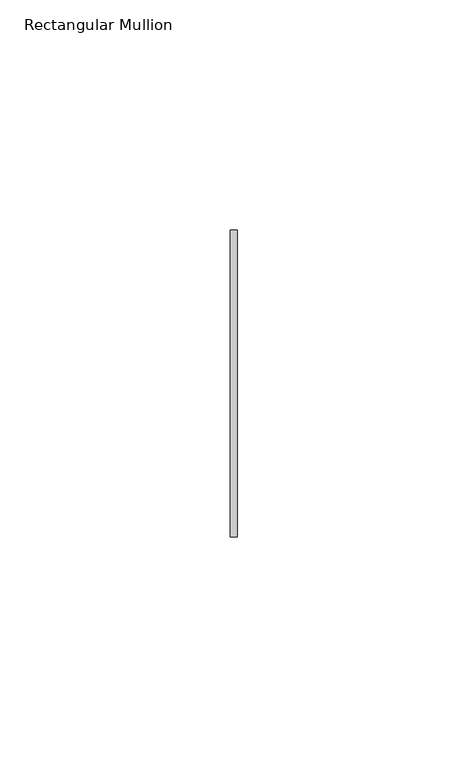
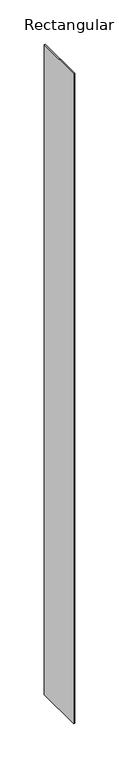
"""IFC4 building model written with IfcOpenShell, lengths in millimetres: member geometry, Rectangular Mullion."""

from ifc_helpers import new_model, si_unit, frame, origin, place, context, project, spatial, polyline, outline, extrude, source, transform, mapped, element, save


def rectangular_mullion_c18f1d24(model_context):
    return source(origin(), model_context, "Body", "SweptSolid", [
        extrude(outline(polyline([(0.0, 33.3375), (0.0, -33.3375), (-1.5875, -33.3375), (-1.5875, 33.3375), (0.0, 33.3375)])), frame((0.0, 0.0, -898.525), z_axis=(0.0, 0.0, 1.0), x_axis=(1.0, 0.0, 0.0)), (0.0, 0.0, 1.0), 898.525),
    ])


if __name__ == "__main__":
    model = new_model("IFC4")
    model_context = context("Model", 3, world=origin())
    ifc_project = project(units=[si_unit("LENGTHUNIT", "METRE", prefix="MILLI")], contexts=[model_context])
    site = spatial("IfcSite", under=ifc_project)
    building = spatial("IfcBuilding", under=site)
    placement = place(None, origin())
    rectangular_mullion_shape = rectangular_mullion_c18f1d24(model_context)
    element("IfcMember", 1, ObjectType="Rectangular Mullion", at=placement, inside=building, context=model_context, shape_type="MappedRepresentation", body=[
        mapped(rectangular_mullion_shape, transform((0.0, 0.0, 0.0), x_axis=(1.0, 0.0, 0.0), y_axis=(0.0, 1.0, 0.0), z_axis=(0.0, 0.0, 1.0))),
    ])
    save(model, "model.ifc")
